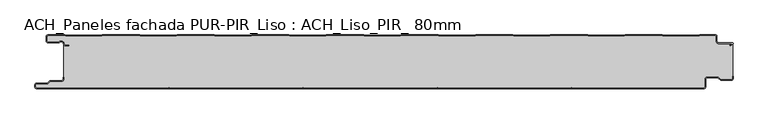
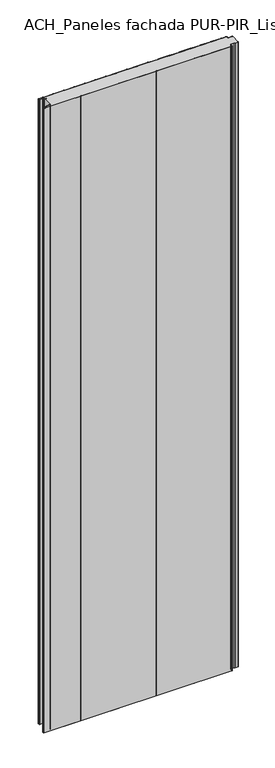
"""IFC4 building model written with IfcOpenShell, lengths in millimetres: plate geometry, ACH_Paneles fachada PUR-PIR_Liso : ACH_Liso_PIR_ 80mm."""

from ifc_helpers import new_model, si_unit, point, frame_2d, origin, origin_with_axes, place, context, project, spatial, polyline, circle_curve, trimmed, segment, composite_curve, outline, extrude, source, transform, mapped, element, save


def ach_paneles_fachada_pur_pir_liso_ach_liso_pir_80mm_d1447875(model_context):
    return source(origin(), model_context, "Body", "SweptSolid", [
        extrude(outline(composite_curve([segment(trimmed(circle_curve(frame_2d((-514.5, -77.5)), 2.5), [point((-514.5, -80.0))], [point((-517.0, -77.5))], False, "CARTESIAN"), True, "CONTINUOUS"), segment(polyline([(-517.0, -77.5), (-517.0, -74.5)]), True, "CONTINUOUS"), segment(trimmed(circle_curve(frame_2d((-514.5, -74.5)), 2.5), [point((-517.0, -74.5))], [point((-514.5, -72.0))], False, "CARTESIAN"), True, "CONTINUOUS"), segment(polyline([(-514.5, -72.0), (-498.5, -72.0), (-494.75, -68.25), (-477.0, -68.25)]), True, "CONTINUOUS"), segment(trimmed(circle_curve(frame_2d((-477.0, -66.25)), 2.0), [point((-477.0, -68.25))], [point((-475.0, -66.25))], True, "CARTESIAN"), True, "CONTINUOUS"), segment(polyline([(-475.0, -66.25), (-475.0, -63.25), (-474.2, -63.25), (-474.2, -66.25)]), True, "CONTINUOUS"), segment(trimmed(circle_curve(frame_2d((-477.0, -66.25)), 2.8), [point((-474.2, -66.25))], [point((-477.0, -69.05))], False, "CARTESIAN"), True, "CONTINUOUS"), segment(polyline([(-477.0, -69.05), (-494.4186292, -69.05), (-498.1686292, -72.8), (-514.5, -72.8)]), True, "CONTINUOUS"), segment(trimmed(circle_curve(frame_2d((-514.5, -74.5)), 1.7), [point((-514.5, -72.8))], [point((-516.2, -74.5))], True, "CARTESIAN"), True, "CONTINUOUS"), segment(polyline([(-516.2, -74.5), (-516.2, -77.5)]), True, "CONTINUOUS"), segment(trimmed(circle_curve(frame_2d((-514.5, -77.5)), 1.7), [point((-516.2, -77.5))], [point((-514.5, -79.2))], True, "CARTESIAN"), True, "CONTINUOUS"), segment(polyline([(-514.5, -79.2), (480.5, -79.2)]), True, "CONTINUOUS"), segment(trimmed(circle_curve(frame_2d((480.5, -77.5)), 1.7), [point((480.5, -79.2))], [point((482.2, -77.5))], True, "CARTESIAN"), True, "CONTINUOUS"), segment(polyline([(482.2, -77.5), (482.2, -66.0)]), True, "CONTINUOUS"), segment(trimmed(circle_curve(frame_2d((485.0, -66.0)), 2.8), [point((482.2, -66.0))], [point((485.0, -63.2))], False, "CARTESIAN"), True, "CONTINUOUS"), segment(polyline([(485.0, -63.2), (501.7886271, -63.2), (505.8492873, -66.95), (521.5, -66.95)]), True, "CONTINUOUS"), segment(trimmed(circle_curve(frame_2d((521.5, -65.25)), 1.7), [point((521.5, -66.95))], [point((523.2, -65.25))], True, "CARTESIAN"), True, "CONTINUOUS"), segment(polyline([(523.2, -65.25), (523.2, -61.75), (524.0, -61.75), (524.0, -65.25)]), True, "CONTINUOUS"), segment(trimmed(circle_curve(frame_2d((521.5, -65.25)), 2.5), [point((524.0, -65.25))], [point((521.5, -67.75))], False, "CARTESIAN"), True, "CONTINUOUS"), segment(polyline([(521.5, -67.75), (505.5363961, -67.75), (501.4757359, -64.0), (485.0, -64.0)]), True, "CONTINUOUS"), segment(trimmed(circle_curve(frame_2d((485.0, -66.0)), 2.0), [point((485.0, -64.0))], [point((483.0, -66.0))], True, "CARTESIAN"), True, "CONTINUOUS"), segment(polyline([(483.0, -66.0), (483.0, -77.5)]), True, "CONTINUOUS"), segment(trimmed(circle_curve(frame_2d((480.5, -77.5)), 2.5), [point((483.0, -77.5))], [point((480.5, -80.0))], False, "CARTESIAN"), True, "CONTINUOUS"), segment(polyline([(480.5, -80.0), (-514.5, -80.0)]), True, "CONTINUOUS")], self_intersect=False)), origin_with_axes(), (0.0, 0.0, 1.0), 3500.0),
        extrude(outline(composite_curve([segment(trimmed(circle_curve(frame_2d((-497.49499, -9.0180361)), 2.50501), [point((-497.49499, -11.5230461))], [point((-500.0, -9.0180361))], False, "CARTESIAN"), True, "CONTINUOUS"), segment(polyline([(-500.0, -9.0180361), (-500.0, -2.50501)]), True, "CONTINUOUS"), segment(trimmed(circle_curve(frame_2d((-497.49499, -2.50501)), 2.50501), [point((-500.0, -2.50501))], [point((-497.49499, 0.0))], False, "CARTESIAN"), True, "CONTINUOUS"), segment(polyline([(-497.49499, 0.0), (-472.2103007, 0.0), (-471.028188, -0.6012024), (-417.6391467, -0.6012024), (-416.457034, 0.0), (-360.8776353, 0.0), (-359.6955227, -0.6012024), (-306.3064814, -0.6012024), (-305.1243687, 0.0), (-249.54497, 0.0), (-248.3628573, -0.6012024), (-194.973816, -0.6012024), (-193.7917033, 0.0), (-138.2123047, 0.0), (-137.030192, -0.6012024), (-83.6411507, -0.6012024), (-82.459038, 0.0), (-26.8796393, 0.0), (-25.6975267, -0.6012024), (27.6915146, -0.6012024), (28.8736273, 0.0), (84.453026, 0.0), (85.6351387, -0.6012024), (139.02418, -0.6012024), (140.2062927, 0.0), (195.7856913, 0.0), (196.967804, -0.6012024), (250.3568453, -0.6012024), (251.538958, 0.0), (307.1183566, 0.0), (308.3004693, -0.6012024), (361.6895106, -0.6012024), (362.8716233, 0.0), (418.451022, 0.0), (419.6331347, -0.6012024), (473.022176, -0.6012024), (474.2042886, 0.0), (497.49499, 0.0)]), True, "CONTINUOUS"), segment(trimmed(circle_curve(frame_2d((497.49499, -2.50501)), 2.50501), [point((497.49499, 0.0))], [point((500.0, -2.50501))], False, "CARTESIAN"), True, "CONTINUOUS"), segment(polyline([(500.0, -2.50501), (500.0, -10.0200401)]), True, "CONTINUOUS"), segment(trimmed(circle_curve(frame_2d((502.004008, -10.0200401)), 2.004008), [point((500.0, -10.0200401))], [point((502.004008, -12.0240481))], True, "CARTESIAN"), True, "CONTINUOUS"), segment(polyline([(502.004008, -12.0240481), (522.96027, -12.0240481)]), True, "CONTINUOUS"), segment(trimmed(circle_curve(frame_2d((522.96027, -13.0490481)), 1.025), [point((522.96027, -12.0240481))], [point((523.47277, -13.9367241))], False, "CARTESIAN"), True, "CONTINUOUS"), segment(polyline([(523.47277, -13.9367241), (519.5390782, -16.2078422), (519.1390782, -15.5150218), (522.183956, -13.7570608)]), True, "CONTINUOUS"), segment(trimmed(circle_curve(frame_2d((521.933956, -13.3240481)), 0.5), [point((522.183956, -13.7570608))], [point((521.933956, -12.8240481))], True, "CARTESIAN"), True, "CONTINUOUS"), segment(polyline([(521.933956, -12.8240481), (502.004008, -12.8240481)]), True, "CONTINUOUS"), segment(trimmed(circle_curve(frame_2d((502.004008, -10.0200401)), 2.804008), [point((502.004008, -12.8240481))], [point((499.2, -10.0200401))], False, "CARTESIAN"), True, "CONTINUOUS"), segment(polyline([(499.2, -10.0200401), (499.2, -2.50501)]), True, "CONTINUOUS"), segment(trimmed(circle_curve(frame_2d((497.49499, -2.50501)), 1.70501), [point((499.2, -2.50501))], [point((497.49499, -0.8))], True, "CARTESIAN"), True, "CONTINUOUS"), segment(polyline([(497.49499, -0.8), (474.396035, -0.8), (473.2139223, -1.4012024), (419.4413883, -1.4012024), (418.2592756, -0.8), (363.0633697, -0.8), (361.881257, -1.4012024), (308.108723, -1.4012024), (306.9266103, -0.8), (251.7307044, -0.8), (250.5485917, -1.4012024), (196.7760576, -1.4012024), (195.5939449, -0.8), (140.398039, -0.8), (139.2159263, -1.4012024), (85.4433923, -1.4012024), (84.2612796, -0.8), (29.0653737, -0.8), (27.883261, -1.4012024), (-25.889273, -1.4012024), (-27.0713857, -0.8), (-82.2672916, -0.8), (-83.4494043, -1.4012024), (-137.2219384, -1.4012024), (-138.4040511, -0.8), (-193.599957, -0.8), (-194.7820696, -1.4012024), (-248.5546037, -1.4012024), (-249.7367164, -0.8), (-304.9326223, -0.8), (-306.114735, -1.4012024), (-359.887269, -1.4012024), (-361.0693817, -0.8), (-416.2652876, -0.8), (-417.4474003, -1.4012024), (-471.2199344, -1.4012024), (-472.4020471, -0.8), (-497.49499, -0.8)]), True, "CONTINUOUS"), segment(trimmed(circle_curve(frame_2d((-497.49499, -2.50501)), 1.70501), [point((-497.49499, -0.8))], [point((-499.2, -2.50501))], True, "CARTESIAN"), True, "CONTINUOUS"), segment(polyline([(-499.2, -2.50501), (-499.2, -9.0180361)]), True, "CONTINUOUS"), segment(trimmed(circle_curve(frame_2d((-497.49499, -9.0180361)), 1.70501), [point((-499.2, -9.0180361))], [point((-497.49499, -10.7230461))], True, "CARTESIAN"), True, "CONTINUOUS"), segment(polyline([(-497.49499, -10.7230461), (-481.8173283, -10.7230461)]), True, "CONTINUOUS"), segment(trimmed(circle_curve(frame_2d((-481.8173283, -9.0180361)), 1.70501), [point((-481.8173283, -10.7230461))], [point((-480.6895701, -10.2967936))], True, "CARTESIAN"), True, "CONTINUOUS"), segment(trimmed(circle_curve(frame_2d((-477.8407481, -13.5270541)), 4.307014), [point((-480.6895701, -10.2967936))], [point((-473.7934788, -12.0539686))], False, "CARTESIAN"), True, "CONTINUOUS"), segment(polyline([(-473.7934788, -12.0539686), (-473.0450711, -14.1102019)]), True, "CONTINUOUS"), segment(trimmed(circle_curve(frame_2d((-471.4428858, -13.5270541)), 1.70501), [point((-473.0450711, -14.1102019))], [point((-471.4428858, -15.2320641))], True, "CARTESIAN"), True, "CONTINUOUS"), segment(polyline([(-471.4428858, -15.2320641), (-466.4328657, -15.2320641), (-466.4328657, -16.0320641), (-471.4428858, -16.0320641)]), True, "CONTINUOUS"), segment(trimmed(circle_curve(frame_2d((-471.4428858, -13.5270541)), 2.50501), [point((-471.4428858, -16.0320641))], [point((-473.7968252, -14.383818))], False, "CARTESIAN"), True, "CONTINUOUS"), segment(polyline([(-473.7968252, -14.383818), (-474.5452329, -12.3275847)]), True, "CONTINUOUS"), segment(trimmed(circle_curve(frame_2d((-477.8407481, -13.5270541)), 3.507014), [point((-474.5452329, -12.3275847))], [point((-480.1604199, -10.8967936))], True, "CARTESIAN"), True, "CONTINUOUS"), segment(trimmed(circle_curve(frame_2d((-481.8173283, -9.0180361)), 2.50501), [point((-480.1604199, -10.8967936))], [point((-481.8173283, -11.5230461))], False, "CARTESIAN"), True, "CONTINUOUS"), segment(polyline([(-481.8173283, -11.5230461), (-497.49499, -11.5230461)]), True, "CONTINUOUS")], self_intersect=False)), origin_with_axes(), (0.0, 0.0, 1.0), 3500.0),
        extrude(outline(composite_curve([segment(polyline([(523.2, -12.8240481), (523.2, -65.25)]), True, "CONTINUOUS"), segment(trimmed(circle_curve(frame_2d((521.5, -65.25)), 1.7), [point((523.2, -65.25))], [point((521.5, -66.95))], False, "CARTESIAN"), True, "CONTINUOUS"), segment(polyline([(521.5, -66.95), (505.8492873, -66.95), (501.7886271, -63.2), (485.0, -63.2)]), True, "CONTINUOUS"), segment(trimmed(circle_curve(frame_2d((485.0, -66.0)), 2.8), [point((485.0, -63.2))], [point((482.2, -66.0))], True, "CARTESIAN"), True, "CONTINUOUS"), segment(polyline([(482.2, -66.0), (482.2, -77.5)]), True, "CONTINUOUS"), segment(trimmed(circle_curve(frame_2d((480.5, -77.5)), 1.7), [point((482.2, -77.5))], [point((480.5, -79.2))], False, "CARTESIAN"), True, "CONTINUOUS"), segment(polyline([(480.5, -79.2), (285.5, -79.2)]), True, "CONTINUOUS"), segment(trimmed(circle_curve(frame_2d((285.5, -77.5)), 1.7), [point((285.5, -79.2))], [point((284.0845596, -78.4415563))], False, "CARTESIAN"), True, "CONTINUOUS"), segment(trimmed(circle_curve(frame_2d((283.0, -79.1630095)), 1.302599), [point((284.0845596, -78.4415563))], [point((281.9154404, -78.4415563))], True, "CARTESIAN"), True, "CONTINUOUS"), segment(trimmed(circle_curve(frame_2d((280.5, -77.5)), 1.7), [point((281.9154404, -78.4415563))], [point((280.5, -79.2))], False, "CARTESIAN"), True, "CONTINUOUS"), segment(polyline([(280.5, -79.2), (85.5, -79.2)]), True, "CONTINUOUS"), segment(trimmed(circle_curve(frame_2d((85.5, -77.5)), 1.7), [point((85.5, -79.2))], [point((84.0845596, -78.4415563))], False, "CARTESIAN"), True, "CONTINUOUS"), segment(trimmed(circle_curve(frame_2d((83.0, -79.1630095)), 1.302599), [point((84.0845596, -78.4415563))], [point((81.9154404, -78.4415563))], True, "CARTESIAN"), True, "CONTINUOUS"), segment(trimmed(circle_curve(frame_2d((80.5, -77.5)), 1.7), [point((81.9154404, -78.4415563))], [point((80.5, -79.2))], False, "CARTESIAN"), True, "CONTINUOUS"), segment(polyline([(80.5, -79.2), (-114.5, -79.2)]), True, "CONTINUOUS"), segment(trimmed(circle_curve(frame_2d((-114.5, -77.5)), 1.7), [point((-114.5, -79.2))], [point((-115.9154404, -78.4415563))], False, "CARTESIAN"), True, "CONTINUOUS"), segment(trimmed(circle_curve(frame_2d((-117.0, -79.1630095)), 1.302599), [point((-115.9154404, -78.4415563))], [point((-118.0845596, -78.4415563))], True, "CARTESIAN"), True, "CONTINUOUS"), segment(trimmed(circle_curve(frame_2d((-119.5, -77.5)), 1.7), [point((-118.0845596, -78.4415563))], [point((-119.5, -79.2))], False, "CARTESIAN"), True, "CONTINUOUS"), segment(polyline([(-119.5, -79.2), (-314.5, -79.2)]), True, "CONTINUOUS"), segment(trimmed(circle_curve(frame_2d((-314.5, -77.5)), 1.7), [point((-314.5, -79.2))], [point((-315.9154404, -78.4415563))], False, "CARTESIAN"), True, "CONTINUOUS"), segment(trimmed(circle_curve(frame_2d((-317.0, -79.1630095)), 1.302599), [point((-315.9154404, -78.4415563))], [point((-318.0845596, -78.4415563))], True, "CARTESIAN"), True, "CONTINUOUS"), segment(trimmed(circle_curve(frame_2d((-319.5, -77.5)), 1.7), [point((-318.0845596, -78.4415563))], [point((-319.5, -79.2))], False, "CARTESIAN"), True, "CONTINUOUS"), segment(polyline([(-319.5, -79.2), (-514.5, -79.2)]), True, "CONTINUOUS"), segment(trimmed(circle_curve(frame_2d((-514.5, -77.5)), 1.7), [point((-514.5, -79.2))], [point((-516.2, -77.5))], False, "CARTESIAN"), True, "CONTINUOUS"), segment(polyline([(-516.2, -77.5), (-516.2, -74.5)]), True, "CONTINUOUS"), segment(trimmed(circle_curve(frame_2d((-514.5, -74.5)), 1.7), [point((-516.2, -74.5))], [point((-514.5, -72.8))], False, "CARTESIAN"), True, "CONTINUOUS"), segment(polyline([(-514.5, -72.8), (-498.1686292, -72.8), (-494.4186292, -69.05), (-477.0, -69.05)]), True, "CONTINUOUS"), segment(trimmed(circle_curve(frame_2d((-477.0, -66.25)), 2.8), [point((-477.0, -69.05))], [point((-474.2, -66.25))], True, "CARTESIAN"), True, "CONTINUOUS"), segment(polyline([(-474.2, -66.25), (-474.2, -11.2258973)]), True, "CONTINUOUS"), segment(trimmed(circle_curve(frame_2d((-477.8407481, -13.5270541)), 4.307014), [point((-474.2, -11.2258973))], [point((-480.6895701, -10.2967936))], True, "CARTESIAN"), True, "CONTINUOUS"), segment(trimmed(circle_curve(frame_2d((-481.8173283, -9.0180361)), 1.70501), [point((-480.6895701, -10.2967936))], [point((-481.8173283, -10.7230461))], False, "CARTESIAN"), True, "CONTINUOUS"), segment(polyline([(-481.8173283, -10.7230461), (-497.49499, -10.7230461)]), True, "CONTINUOUS"), segment(trimmed(circle_curve(frame_2d((-497.49499, -9.0180361)), 1.70501), [point((-497.49499, -10.7230461))], [point((-499.2, -9.0180361))], False, "CARTESIAN"), True, "CONTINUOUS"), segment(polyline([(-499.2, -9.0180361), (-499.2, -2.50501)]), True, "CONTINUOUS"), segment(trimmed(circle_curve(frame_2d((-497.49499, -2.50501)), 1.70501), [point((-499.2, -2.50501))], [point((-497.49499, -0.8))], False, "CARTESIAN"), True, "CONTINUOUS"), segment(polyline([(-497.49499, -0.8), (-472.4020471, -0.8), (-471.2199344, -1.4012024), (-417.4474003, -1.4012024), (-416.2652876, -0.8), (-361.0693817, -0.8), (-359.887269, -1.4012024), (-306.114735, -1.4012024), (-304.9326223, -0.8), (-249.7367164, -0.8), (-248.5546037, -1.4012024), (-194.7820696, -1.4012024), (-193.599957, -0.8), (-138.4040511, -0.8), (-137.2219384, -1.4012024), (-83.4494043, -1.4012024), (-82.2672916, -0.8), (-27.0713857, -0.8), (-25.889273, -1.4012024), (27.883261, -1.4012024), (29.0653737, -0.8), (84.2612796, -0.8), (85.4433923, -1.4012024), (139.2159263, -1.4012024), (140.398039, -0.8), (195.5939449, -0.8), (196.7760576, -1.4012024), (250.5485917, -1.4012024), (251.7307044, -0.8), (306.9266103, -0.8), (308.108723, -1.4012024), (361.881257, -1.4012024), (363.0633697, -0.8), (418.2592756, -0.8), (419.4413883, -1.4012024), (473.2139223, -1.4012024), (474.396035, -0.8), (497.49499, -0.8)]), True, "CONTINUOUS"), segment(trimmed(circle_curve(frame_2d((497.49499, -2.50501)), 1.70501), [point((497.49499, -0.8))], [point((499.2, -2.50501))], False, "CARTESIAN"), True, "CONTINUOUS"), segment(polyline([(499.2, -2.50501), (499.2, -10.0200401)]), True, "CONTINUOUS"), segment(trimmed(circle_curve(frame_2d((502.004008, -10.0200401)), 2.804008), [point((499.2, -10.0200401))], [point((502.004008, -12.8240481))], True, "CARTESIAN"), True, "CONTINUOUS"), segment(polyline([(502.004008, -12.8240481), (523.2, -12.8240481)]), True, "CONTINUOUS")], self_intersect=False)), origin_with_axes(), (0.0, 0.0, 1.0), 3500.0),
    ])


if __name__ == "__main__":
    model = new_model("IFC4")
    model_context = context("Model", 3, world=origin())
    ifc_project = project(units=[si_unit("LENGTHUNIT", "METRE", prefix="MILLI")], contexts=[model_context])
    site = spatial("IfcSite", under=ifc_project)
    building = spatial("IfcBuilding", under=site)
    placement = place(None, origin())
    ach_paneles_fachada_pur_pir_liso_ach_liso_pir_80mm_shape = ach_paneles_fachada_pur_pir_liso_ach_liso_pir_80mm_d1447875(model_context)
    element("IfcPlate", 1, ObjectType="ACH_Paneles fachada PUR-PIR_Liso : ACH_Liso_PIR_ 80mm", at=placement, inside=building, context=model_context, shape_type="MappedRepresentation", body=[
        mapped(ach_paneles_fachada_pur_pir_liso_ach_liso_pir_80mm_shape, transform((0.0, 0.0, 0.0), x_axis=(1.0, 0.0, 0.0), y_axis=(0.0, 1.0, 0.0), z_axis=(0.0, 0.0, 1.0))),
    ])
    save(model, "model.ifc")
